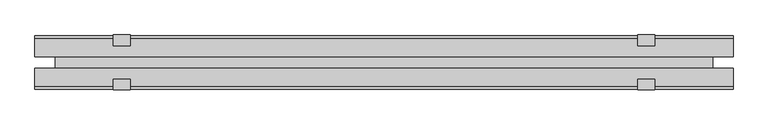
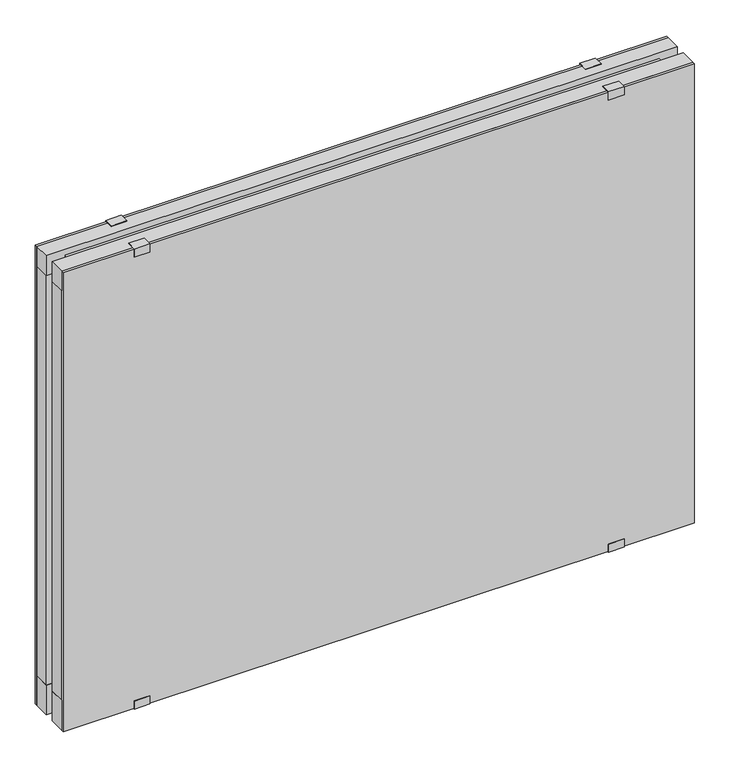
"""IFC4 building model written with IfcOpenShell, lengths in millimetres: plate geometry."""

from ifc_helpers import new_model, si_unit, frame, origin, origin_with_axes, place, context, project, spatial, polyline, outline, extrude, source, transform, mapped, element, save


def plate_b9facdfc(model_context):
    return source(origin(), model_context, "Body", "SweptSolid", [
        extrude(outline(polyline([(603.3750001, -10.0), (603.3750001, -41.0), (-603.3750001, -41.0), (-603.3750001, -10.0), (603.3750001, -10.0)])), origin_with_axes(), (0.0, 0.0, 1.0), 60.0),
        extrude(outline(polyline([(603.3750001, 41.0), (603.3750001, 10.0), (-603.3750001, 10.0), (-603.3750001, 41.0), (603.3750001, 41.0)])), origin_with_axes(), (0.0, 0.0, 1.0), 60.0),
        extrude(outline(polyline([(603.3750001, -10.0), (603.3750001, -41.0), (-603.3750001, -41.0), (-603.3750001, -10.0), (603.3750001, -10.0)])), frame((0.0, 0.0, 888.5), z_axis=(0.0, 0.0, 1.0), x_axis=(1.0, 0.0, 0.0)), (0.0, 0.0, 1.0), 40.0),
        extrude(outline(polyline([(603.3750001, 41.0), (603.3750001, 10.0), (-603.3750001, 10.0), (-603.3750001, 41.0), (603.3750001, 41.0)])), frame((0.0, 0.0, 888.5), z_axis=(0.0, 0.0, 1.0), x_axis=(1.0, 0.0, 0.0)), (0.0, 0.0, 1.0), 40.0),
        extrude(outline(polyline([(567.8750001, -10.0), (-567.8750001, -10.0), (-567.8750001, 10.0), (567.8750001, 10.0), (567.8750001, -10.0)])), frame((0.0, 0.0, 28.0), z_axis=(0.0, 0.0, 1.0), x_axis=(1.0, 0.0, 0.0)), (0.0, 0.0, 1.0), 889.5),
        extrude(outline(polyline([(603.3750001, 41.0), (-603.3750001, 41.0), (-603.3750001, 46.0), (603.3750001, 46.0), (603.3750001, 41.0)])), origin_with_axes(), (0.0, 0.0, 1.0), 928.5),
        extrude(outline(polyline([(-603.3750001, -46.0), (-603.3750001, -41.0), (603.3750001, -41.0), (603.3750001, -46.0), (-603.3750001, -46.0)])), origin_with_axes(), (0.0, 0.0, 1.0), 928.5),
        extrude(outline(polyline([(543.6119275, -10.0), (603.3750001, -10.0), (603.3750001, -41.0), (564.1183344, -41.0), (543.6119275, -13.4129412), (543.6119275, -10.0)])), frame((0.0, 0.0, 60.0), z_axis=(0.0, 0.0, 1.0), x_axis=(1.0, 0.0, 0.0)), (0.0, 0.0, 1.0), 828.5),
        extrude(outline(polyline([(543.6119275, 10.0), (543.6119275, 13.4129412), (564.1183344, 41.0), (603.3750001, 41.0), (603.3750001, 10.0), (543.6119275, 10.0)])), frame((0.0, 0.0, 60.0), z_axis=(0.0, 0.0, 1.0), x_axis=(1.0, 0.0, 0.0)), (0.0, 0.0, 1.0), 828.5),
        extrude(outline(polyline([(-543.6119275, -10.0), (-543.6119275, -13.4129412), (-564.1183344, -41.0), (-603.3750001, -41.0), (-603.3750001, -10.0), (-543.6119275, -10.0)])), frame((0.0, 0.0, 60.0), z_axis=(0.0, 0.0, 1.0), x_axis=(1.0, 0.0, 0.0)), (0.0, 0.0, 1.0), 828.5),
        extrude(outline(polyline([(-543.6119275, 10.0), (-603.3750001, 10.0), (-603.3750001, 41.0), (-564.1183344, 41.0), (-543.6119275, 13.4129412), (-543.6119275, 10.0)])), frame((0.0, 0.0, 60.0), z_axis=(0.0, 0.0, 1.0), x_axis=(1.0, 0.0, 0.0)), (0.0, 0.0, 1.0), 828.5),
        extrude(outline(polyline([(-47.5, 930.0), (-29.0, 930.0), (-29.0, 928.5), (-46.0, 928.5), (-46.0, 913.5), (-47.5, 913.5), (-47.5, 930.0)])), frame((-468.3750001, 0.0, 0.0), z_axis=(1.0, 0.0, 0.0), x_axis=(0.0, 1.0, 0.0)), (0.0, 0.0, 1.0), 30.0),
        extrude(outline(polyline([(47.5, 913.5), (46.0, 913.5), (46.0, 928.5), (29.0, 928.5), (29.0, 930.0), (47.5, 930.0), (47.5, 913.5)])), frame((-468.3750001, 0.0, 0.0), z_axis=(1.0, 0.0, 0.0), x_axis=(0.0, 1.0, 0.0)), (0.0, 0.0, 1.0), 30.0),
        extrude(outline(polyline([(-47.1, 15.0), (-46.0, 15.0), (-46.0, 0.0), (-31.0, 0.0), (-31.0, -1.2), (-47.1, -1.2), (-47.1, 15.0)])), frame((-468.3750001, 0.0, 0.0), z_axis=(1.0, 0.0, 0.0), x_axis=(0.0, 1.0, 0.0)), (0.0, 0.0, 1.0), 30.0),
        extrude(outline(polyline([(47.1, -1.2), (31.0, -1.2), (31.0, 0.0), (46.0, 0.0), (46.0, 15.0), (47.1, 15.0), (47.1, -1.2)])), frame((-468.3750001, 0.0, 0.0), z_axis=(1.0, 0.0, 0.0), x_axis=(0.0, 1.0, 0.0)), (0.0, 0.0, 1.0), 30.0),
        extrude(outline(polyline([(-47.5, 930.0), (-29.0, 930.0), (-29.0, 928.5), (-46.0, 928.5), (-46.0, 913.5), (-47.5, 913.5), (-47.5, 930.0)])), frame((438.3750001, 0.0, 0.0), z_axis=(1.0, 0.0, 0.0), x_axis=(0.0, 1.0, 0.0)), (0.0, 0.0, 1.0), 30.0),
        extrude(outline(polyline([(29.0, 930.0), (47.5, 930.0), (47.5, 913.5), (46.0, 913.5), (46.0, 928.5), (29.0, 928.5), (29.0, 930.0)])), frame((438.3750001, 0.0, 0.0), z_axis=(1.0, 0.0, 0.0), x_axis=(0.0, 1.0, 0.0)), (0.0, 0.0, 1.0), 30.0),
        extrude(outline(polyline([(-47.1, 15.0), (-46.0, 15.0), (-46.0, 0.0), (-31.0, 0.0), (-31.0, -1.2), (-47.1, -1.2), (-47.1, 15.0)])), frame((438.3750001, 0.0, 0.0), z_axis=(1.0, 0.0, 0.0), x_axis=(0.0, 1.0, 0.0)), (0.0, 0.0, 1.0), 30.0),
        extrude(outline(polyline([(47.1, -1.2), (31.0, -1.2), (31.0, 0.0), (46.0, 0.0), (46.0, 15.0), (47.1, 15.0), (47.1, -1.2)])), frame((438.3750001, 0.0, 0.0), z_axis=(1.0, 0.0, 0.0), x_axis=(0.0, 1.0, 0.0)), (0.0, 0.0, 1.0), 30.0),
    ])


if __name__ == "__main__":
    model = new_model("IFC4")
    model_context = context("Model", 3, world=origin())
    ifc_project = project(units=[si_unit("LENGTHUNIT", "METRE", prefix="MILLI")], contexts=[model_context])
    site = spatial("IfcSite", under=ifc_project)
    building = spatial("IfcBuilding", under=site)
    placement = place(None, origin())
    plate_shape = plate_b9facdfc(model_context)
    element("IfcPlate", 1, at=placement, inside=building, context=model_context, shape_type="MappedRepresentation", body=[
        mapped(plate_shape, transform((0.0, 0.0, 0.0), x_axis=(1.0, 0.0, 0.0), y_axis=(0.0, 1.0, 0.0), z_axis=(0.0, 0.0, 1.0))),
    ])
    save(model, "model.ifc")
